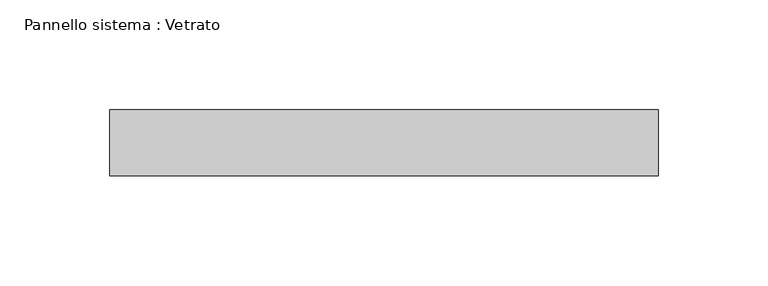
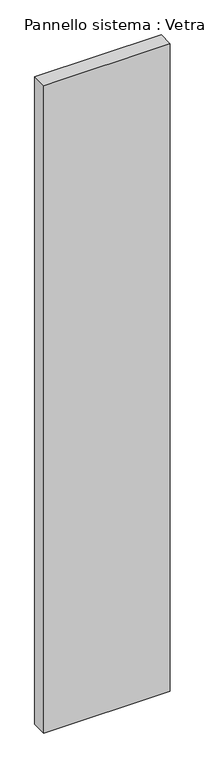
"""IFC4 building model written with IfcOpenShell, lengths in millimetres: plate geometry, Pannello sistema : Vetrato."""

from ifc_helpers import new_model, si_unit, origin, origin_with_axes, place, context, project, spatial, polyline, outline, extrude, source, transform, mapped, element, save


def pannello_sistema_vetrato_15b5324c(model_context):
    return source(origin(), model_context, "Body", "SweptSolid", [
        extrude(outline(polyline([(124.9999998, -15.0), (-124.9999998, -15.0), (-124.9999998, 15.0), (124.9999998, 15.0), (124.9999998, -15.0)])), origin_with_axes(), (0.0, 0.0, 1.0), 1350.0),
    ])


if __name__ == "__main__":
    model = new_model("IFC4")
    model_context = context("Model", 3, world=origin())
    ifc_project = project(units=[si_unit("LENGTHUNIT", "METRE", prefix="MILLI")], contexts=[model_context])
    site = spatial("IfcSite", under=ifc_project)
    building = spatial("IfcBuilding", under=site)
    placement = place(None, origin())
    pannello_sistema_vetrato_shape = pannello_sistema_vetrato_15b5324c(model_context)
    element("IfcPlate", 1, ObjectType="Pannello sistema : Vetrato", at=placement, inside=building, context=model_context, shape_type="MappedRepresentation", body=[
        mapped(pannello_sistema_vetrato_shape, transform((0.0, 0.0, 0.0), x_axis=(1.0, 0.0, 0.0), y_axis=(0.0, 1.0, 0.0), z_axis=(0.0, 0.0, 1.0))),
    ])
    save(model, "model.ifc")
